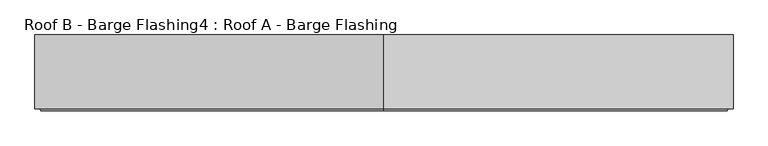
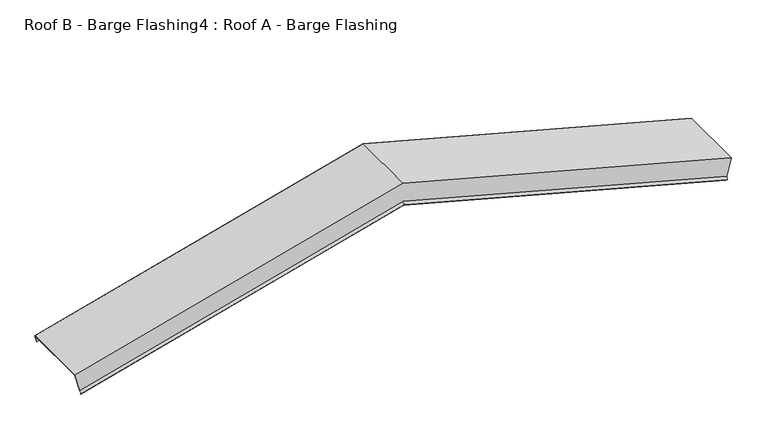
"""IFC4 building model written with IfcOpenShell, lengths in millimetres: proxy geometry, Roof B - Barge Flashing4 : Roof A - Barge Flashing."""

import ifcopenshell
import ifcopenshell.guid

model = None  # the IFC model being written
_history = None  # IfcOwnerHistory: only IFC2X3 demands one
_inside = {}  # id of a spatial element -> (the spatial element, [elements in it])
_under = {}  # id of a project, library or spatial element -> (it, [spatial elements below it])
_declared = {}  # id of a project -> (the project, [libraries it declares])
_typed = {}  # id of a type object -> (the type object, [elements of that type])
_made_of = {}  # id of a material, layer set ... -> (it, [elements and type objects made of it])


def new_model(schema):
    """Start an empty IFC model of exactly this schema.

    Asked for "IFC4X3", IfcOpenShell would pick the latest addendum, in which some entities
    have other attributes; the version numbers below select the first issue.
    IFC2X3 requires an IfcOwnerHistory on every rooted entity: one is made here for all.
    """
    global model, _history
    if schema == "IFC4X3":
        model = ifcopenshell.file(schema_version=(4, 3, 0, 0))
    else:
        model = ifcopenshell.file(schema=schema)
    _inside.clear()
    _under.clear()
    _declared.clear()
    _typed.clear()
    _made_of.clear()
    _history = None
    if model.schema == "IFC2X3":
        org = make("IfcOrganization", Name="unknown")
        user = make(
            "IfcPersonAndOrganization",
            ThePerson=make("IfcPerson", FamilyName="unknown"),
            TheOrganization=org,
        )
        app = make(
            "IfcApplication",
            ApplicationDeveloper=org,
            Version="unknown",
            ApplicationFullName="unknown",
            ApplicationIdentifier="unknown",
        )
        _history = make(
            "IfcOwnerHistory",
            OwningUser=user,
            OwningApplication=app,
            ChangeAction="ADDED",
            CreationDate=0,
        )
    return model


def make(cls, **values):
    """One entity of the class cls with the attributes given. An attribute that is None is left unset."""
    return model.create_entity(
        cls, **{name: value for name, value in values.items() if value is not None}
    )


def rooted(cls, **values):
    """An entity with a GlobalId (a new one), such as an element, a storey or a relation."""
    return make(cls, GlobalId=ifcopenshell.guid.new(), OwnerHistory=_history, **values)


def si_unit(unit_type, name, prefix=None):
    """IfcSIUnit, for example si_unit("LENGTHUNIT", "METRE", prefix="MILLI")."""
    return make("IfcSIUnit", UnitType=unit_type, Prefix=prefix, Name=name)


def assignment(units):
    """IfcUnitAssignment: the units of a project."""
    return None if units is None else make("IfcUnitAssignment", Units=units)


def point(xyz):
    """IfcCartesianPoint."""
    return None if xyz is None else make("IfcCartesianPoint", Coordinates=xyz)


def direction(xyz):
    """IfcDirection."""
    return None if xyz is None else make("IfcDirection", DirectionRatios=xyz)


def frame(location, z_axis=None, x_axis=None):
    """IfcAxis2Placement3D, a coordinate frame: its origin and axes. An axis left out is left unset."""
    return make(
        "IfcAxis2Placement3D",
        Location=point(location),
        Axis=direction(z_axis),
        RefDirection=direction(x_axis),
    )


def origin():
    """The frame at (0, 0, 0) with its axes left unset."""
    return frame((0.0, 0.0, 0.0))


def place(relative_to, where):
    """IfcLocalPlacement: puts the frame where relative to a parent placement (None: the world)."""
    return make(
        "IfcLocalPlacement", PlacementRelTo=relative_to, RelativePlacement=where
    )


def context(
    kind, dimensions, precision=None, world=None, true_north=None, identifier=None
):
    """IfcGeometricRepresentationContext, for example the 3D "Model" context."""
    return make(
        "IfcGeometricRepresentationContext",
        ContextIdentifier=identifier,
        ContextType=kind,
        CoordinateSpaceDimension=dimensions,
        Precision=precision,
        WorldCoordinateSystem=world,
        TrueNorth=true_north,
    )


def project(units=None, contexts=None):
    """IfcProject with its units and contexts."""
    return rooted(
        "IfcProject",
        Name="project",
        RepresentationContexts=contexts,
        UnitsInContext=assignment(units),
    )


def spatial(cls, under=None, at=None, **own):
    """A site, building, storey or space (cls), placed at a placement, below another one or the project."""
    s = rooted(cls, ObjectPlacement=at, **own)
    if under is not None:
        _under.setdefault(under.id(), (under, []))[1].append(s)
    return s


def faces_of(points, faces, orient=None, outer=None):
    """IfcFace entities. A face is a list of loops; a loop is a list of indices into points, from 0.

    orient and outer hold one flag for each loop. By default every Orientation is true, the
    first loop of a face is its IfcFaceOuterBound and the others are IfcFaceBound.
    """
    made = []
    for i, loops in enumerate(faces):
        bounds = []
        for j, loop in enumerate(loops):
            is_outer = j == 0 if outer is None else outer[i][j]
            bounds.append(
                make(
                    "IfcFaceOuterBound" if is_outer else "IfcFaceBound",
                    Bound=make("IfcPolyLoop", Polygon=[points[k] for k in loop]),
                    Orientation=True if orient is None else orient[i][j],
                )
            )
        made.append(make("IfcFace", Bounds=bounds))
    return made


def faceted_brep(points, faces, orient=None, outer=None, voids=None):
    """IfcFacetedBrep: a solid bounded by flat faces; with voids (closed shells), ...WithVoids."""
    shared = [point(p) for p in points]
    hull = make("IfcClosedShell", CfsFaces=faces_of(shared, faces, orient, outer))
    if voids is None:
        return make("IfcFacetedBrep", Outer=hull)
    return make(
        "IfcFacetedBrepWithVoids",
        Outer=hull,
        Voids=[
            make(cls, CfsFaces=faces_of(shared, fs, o, b)) for cls, fs, o, b in voids
        ],
    )


def shape(context_of_items, identifier, shape_type, items):
    """IfcShapeRepresentation: the items that make up one representation, for example the "Body"."""
    return make(
        "IfcShapeRepresentation",
        ContextOfItems=context_of_items,
        RepresentationIdentifier=identifier,
        RepresentationType=shape_type,
        Items=items,
    )


def source(mapping_origin, context_of_items, identifier, shape_type, items):
    """IfcRepresentationMap: a shape defined once, which mapped items show again and again."""
    return make(
        "IfcRepresentationMap",
        MappingOrigin=mapping_origin,
        MappedRepresentation=shape(context_of_items, identifier, shape_type, items),
    )


def transform(
    local_origin,
    x_axis=None,
    y_axis=None,
    z_axis=None,
    scale=None,
    scale2=None,
    scale3=None,
    uniform=True,
):
    """IfcCartesianTransformationOperator3D, or its non-uniform kind. x_axis, y_axis, z_axis: its Axis1, 2, 3."""
    if uniform:
        return make(
            "IfcCartesianTransformationOperator3D",
            Axis1=direction(x_axis),
            Axis2=direction(y_axis),
            LocalOrigin=point(local_origin),
            Scale=scale,
            Axis3=direction(z_axis),
        )
    return make(
        "IfcCartesianTransformationOperator3DnonUniform",
        Axis1=direction(x_axis),
        Axis2=direction(y_axis),
        LocalOrigin=point(local_origin),
        Scale=scale,
        Axis3=direction(z_axis),
        Scale2=scale2,
        Scale3=scale3,
    )


def mapped(mapping_source, mapping_target):
    """IfcMappedItem: shows the shape of a source again, moved by a transform."""
    return make(
        "IfcMappedItem", MappingSource=mapping_source, MappingTarget=mapping_target
    )


def made_of(thing, what):
    """Note that an element or type object is made of a material, layer set ...; save() writes the relation."""
    if what is not None:
        _made_of.setdefault(what.id(), (what, []))[1].append(thing)
    return thing


def element(
    cls,
    number,
    at=None,
    inside=None,
    cuts=None,
    type_object=None,
    material=None,
    context=None,
    identifier="Body",
    shape_type=None,
    held_by="IfcProductDefinitionShape",
    body=None,
    shapes=None,
    **own,
):
    """One element of the class cls, such as IfcWall. Its Tag is "e" and its number.

    at: its placement. inside: the storey or other place that contains it. cuts: it is an
    opening in that element (IfcRelVoidsElement). A single representation is given by context,
    identifier, shape_type and body (its items); several are given by shapes. held_by: the class
    of the entity that holds the representations. save() writes the other relations.
    """
    e = rooted(cls, Tag="e%d" % number, ObjectPlacement=at, **own)
    if body is not None:
        shapes = [shape(context, identifier, shape_type, body)]
    if shapes is not None:
        e.Representation = make(held_by, Representations=shapes)
    if inside is not None:
        _inside.setdefault(inside.id(), (inside, []))[1].append(e)
    if cuts is not None:
        rooted(
            "IfcRelVoidsElement", RelatingBuildingElement=cuts, RelatedOpeningElement=e
        )
    if type_object is not None:
        _typed.setdefault(type_object.id(), (type_object, []))[1].append(e)
    return made_of(e, material)


def aggregate(whole, parts):
    """IfcRelAggregates: a whole, such as a stair, and the parts it consists of."""
    return rooted("IfcRelAggregates", RelatingObject=whole, RelatedObjects=parts)


def save(model, path):
    """Write the relations noted so far, then the file.

    IfcRelAggregates (storeys below a building ...), IfcRelContainedInSpatialStructure (elements
    in a storey), IfcRelDefinesByType, IfcRelAssociatesMaterial and IfcRelDeclares: one each for
    every whole, place, type object, material and project.
    """
    for whole, parts in _under.values():
        aggregate(whole, parts)
    for where, things in _inside.values():
        rooted(
            "IfcRelContainedInSpatialStructure",
            RelatedElements=things,
            RelatingStructure=where,
        )
    for kind, things in _typed.values():
        rooted("IfcRelDefinesByType", RelatedObjects=things, RelatingType=kind)
    for what, things in _made_of.values():
        rooted("IfcRelAssociatesMaterial", RelatedObjects=things, RelatingMaterial=what)
    for by, libraries in _declared.values():
        rooted("IfcRelDeclares", RelatingContext=by, RelatedDefinitions=libraries)
    model.write(path)


def roof_b_barge_flashing4_roof_a_barge_flashing_edd47e01(model_context):
    return source(origin(), model_context, "Body", "Brep", [
        faceted_brep([(15574.3085833, 9416.0064973, 4221.0347541), (15562.2734977, 9416.0064973, 4176.1192032), (15562.2734977, 9417.0064973, 4176.1192032), (15574.5674023, 9417.0064973, 4222.00068), (15574.5674023, 8966.8718835, 4222.00068), (15543.8326407, 8966.8718835, 4107.2969881), (15540.1723867, 8952.7297479, 4093.6367341), (15537.4271961, 8963.3363496, 4083.3915435), (15537.6102088, 8964.0434564, 4084.0745562), (15540.1723867, 8954.1439615, 4093.6367341), (15543.7254343, 8967.8718835, 4106.8968885), (15574.3085833, 8967.8718835, 4221.0347541), (13442.1333687, 9416.0064973, 4792.349381), (11309.9581542, 9416.0064973, 4221.0347541), (11321.9932398, 9416.0064973, 4176.1192032), (13442.1333687, 9416.0064973, 4744.2090386), (13442.1333687, 9417.0064973, 4744.2090386), (11321.9932398, 9417.0064973, 4176.1192032), (11309.6993352, 9417.0064973, 4222.00068), (13442.1333687, 9417.0064973, 4793.3846572), (13442.1333687, 8966.8718835, 4793.3846572), (11309.6993352, 8966.8718835, 4222.00068), (11340.4340968, 8966.8718835, 4107.2969881), (13442.1333687, 8966.8718835, 4670.4456108), (13442.1333687, 8952.7297479, 4655.8045946), (13442.1333687, 8963.3363496, 4644.8238325), (13442.1333687, 8964.0434564, 4645.5558833), (13442.1333687, 8954.1439615, 4655.8045946), (13442.1333687, 8967.8718835, 4670.0167853), (11340.5413031, 8967.8718835, 4106.8968885), (11309.9581542, 8967.8718835, 4221.0347541), (13442.1333687, 8967.8718835, 4792.349381), (11344.0943508, 8954.1439615, 4093.6367341), (11346.6565286, 8964.0434564, 4084.0745562), (11346.8395414, 8963.3363496, 4083.3915435), (11344.0943508, 8952.7297479, 4093.6367341)], [[[0, 1, 2, 3, 4, 5, 6, 7, 8, 9, 10, 11]], [[1, 0, 12, 13, 14, 15]], [[2, 1, 15, 16]], [[3, 2, 16, 17, 18, 19]], [[4, 3, 19, 20]], [[5, 4, 20, 21, 22, 23]], [[6, 5, 23, 24]], [[7, 6, 24, 25]], [[8, 7, 25, 26]], [[9, 8, 26, 27]], [[10, 9, 27, 28]], [[11, 10, 28, 29, 30, 31]], [[0, 11, 31, 12]], [[13, 30, 29, 32, 33, 34, 35, 22, 21, 18, 17, 14]], [[16, 15, 14, 17]], [[20, 19, 18, 21]], [[24, 23, 22, 35]], [[25, 24, 35, 34]], [[26, 25, 34, 33]], [[27, 26, 33, 32]], [[28, 27, 32, 29]], [[12, 31, 30, 13]]]),
    ])


if __name__ == "__main__":
    model = new_model("IFC4")
    model_context = context("Model", 3, world=origin())
    ifc_project = project(units=[si_unit("LENGTHUNIT", "METRE", prefix="MILLI")], contexts=[model_context])
    site = spatial("IfcSite", under=ifc_project)
    building = spatial("IfcBuilding", under=site)
    placement = place(None, origin())
    roof_b_barge_flashing4_roof_a_barge_flashing_shape = roof_b_barge_flashing4_roof_a_barge_flashing_edd47e01(model_context)
    element("IfcBuildingElementProxy", 1, Name="Roof B - Barge Flashing4 : Roof A - Barge Flashing", ObjectType="Roof B - Barge Flashing4 : Roof A - Barge Flashing", at=placement, inside=building, context=model_context, shape_type="MappedRepresentation", body=[
        mapped(roof_b_barge_flashing4_roof_a_barge_flashing_shape, transform((0.0, 0.0, 0.0), x_axis=(1.0, 0.0, 0.0), y_axis=(0.0, 1.0, 0.0), z_axis=(0.0, 0.0, 1.0))),
    ])
    save(model, "model.ifc")
